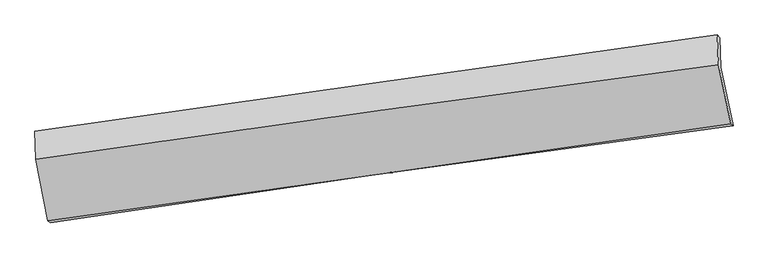
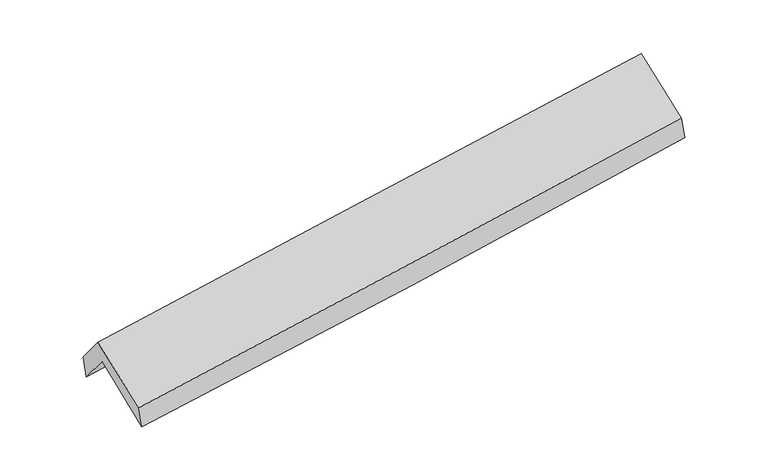
"""IFC4 building model written with IfcOpenShell, lengths in millimetres: proxy geometry."""

from ifc_helpers import new_model, si_unit, frame, origin, place, context, project, spatial, source, transform, mapped, element, save
from ifc_brep_helpers import plane_surface, spline_curve, spline_surface, advanced_brep


def generic_models_dca141c6(model_context):
    return source(origin(), model_context, "Body", "AdvancedBrep", [
        advanced_brep(
        [(-2881.4970393, -2511.9907779, 1456.9263645), (-2984.1263295, -2002.7639974, 1876.6378315), (2923.6050703, -1165.0924454, 2368.5904372), (3031.81373, -1670.4838674, 1938.2723799), (-2993.1145855, -1741.2225699, 1557.1174753), (2914.8288192, -909.7199649, 2056.6065702), (-3012.7886595, -1717.4856107, 1758.910164), (2893.961524, -884.0549747, 2255.7613091), (-3004.4440588, -1960.2978732, 2055.5494434), (2904.6837783, -1140.4625829, 2546.9749777), (-2900.0007938, -2491.9182835, 1650.4144819), (3011.6619971, -1651.5896682, 2140.1294249)],
        [
            (0, 1),
            (1, 2, spline_curve(3, [(-2984.1263295, -2002.7639974, 1876.6378315), (-1998.47684275, -1852.462730612, 1933.107749205), (-1013.143745028, -1707.480259248, 2002.36033443), (956.099547509, -1428.264937857, 2166.365035128), (1940.010249746, -1294.02355848, 2261.096651798), (2923.6050703, -1165.0924454, 2368.5904372)], [4, 2, 4], [0.0, 9.830764378610771, 19.653643073785105])),
            (2, 3),
            (3, 0, spline_curve(3, [(3031.81373, -1670.4838674, 1938.2723799), (2047.668243778, -1799.491487608, 1828.456039334), (1063.017523839, -1934.09049261, 1733.445852419), (-908.085254244, -2214.583815071, 1572.973398792), (-1894.538124228, -2360.487113597, 1507.534914069), (-2881.4970393, -2511.9907779, 1456.9263645)], [4, 2, 4], [0.0, 9.822878695174333, 19.653643073785105])),
            (1, 4),
            (4, 5, spline_curve(3, [(-2993.1145855, -1741.2225699, 1557.1174753), (-2007.213938695, -1598.229587344, 1622.515789866), (-1021.737630308, -1457.414283664, 1696.859327159), (947.576157504, -1180.250240801, 1863.370036907), (1931.414317038, -1043.898009816, 1955.522864721), (2914.8288192, -909.7199649, 2056.6065702)], [4, 2, 4], [0.0, 9.825975668038684, 19.644069493873836])),
            (5, 2),
            (4, 6),
            (6, 7, spline_curve(3, [(-3012.7886595, -1717.4856107, 1758.910164), (-2027.90220866, -1576.716020283, 1837.36991345), (-1043.032309381, -1436.851168464, 1918.021542287), (925.884391701, -1159.042407483, 2083.642105334), (1909.931220372, -1021.097047285, 2168.607525254), (2893.961524, -884.0549747, 2255.7613091)], [4, 2, 4], [0.0, 9.824442493347599, 19.64100437431773])),
            (7, 5),
            (6, 8),
            (8, 9, spline_curve(3, [(-3004.4440588, -1960.2978732, 2055.5494434), (-2019.950731649, -1817.365266763, 2135.043564516), (-1035.079018571, -1677.553195609, 2215.759674247), (934.63086724, -1404.279769414, 2379.570145443), (1919.468433278, -1270.813410882, 2462.662546892), (2904.6837783, -1140.4625829, 2546.9749777)], [4, 2, 4], [0.0, 9.823403027665881, 19.638926276754905])),
            (9, 7),
            (8, 10),
            (10, 11, spline_curve(3, [(-2900.0007938, -2491.9182835, 1650.4144819), (-1913.576157937, -2354.777909078, 1728.34834095), (-927.527762318, -2216.151644139, 1808.141969188), (1043.025898236, -1936.039722911, 1971.383265673), (2027.531766206, -1794.55644926, 2054.827952026), (3011.6619971, -1651.5896682, 2140.1294249)], [4, 2, 4], [0.0, 9.827660076733745, 19.647436960126527])),
            (11, 9),
            (10, 0),
            (3, 11),
        ],
        [
            spline_surface(3, 3, [[(-2881.4970393, -2511.9907779, 1456.9263645), (-1894.538124161, -2360.487113649, 1507.534913927), (-908.085254328, -2214.583815095, 1572.973398732), (1063.017523922, -1934.090492587, 1733.445852479), (2047.668243856, -1799.491487637, 1828.456039439), (3031.81373, -1670.4838674, 1938.2723799)], [(-2915.706802677, -2342.248517735, 1596.830186836), (-1929.184363679, -2191.145652593, 1649.392525731), (-943.104751231, -2045.549296432, 1716.102377291), (1027.378198451, -1765.481974355, 1877.752246708), (2011.782245822, -1631.002177955, 1972.669576944), (2995.744176778, -1502.020060064, 2081.711732332)], [(-2949.916566123, -2172.506257565, 1736.734009164), (-1963.830603264, -2021.804191533, 1791.250137526), (-978.12424813, -1876.514777824, 1859.231355842), (991.738872985, -1596.873456176, 2022.058640928), (1975.896247755, -1462.512868281, 2116.883114453), (2959.674623522, -1333.556252736, 2225.151084768)], [(-2984.1263295, -2002.7639974, 1876.6378315), (-1998.476842781, -1852.462730477, 1933.10774933), (-1013.143745033, -1707.480259161, 2002.360334402), (956.099547514, -1428.264937944, 2166.365035156), (1940.010249722, -1294.023558598, 2261.096651958), (2923.6050703, -1165.0924454, 2368.5904372)]], [4, 4], [4, 2, 4], [0.0, 2.2097180081409653], [0.0, 9.830764378610771, 19.653643073785105]),
            spline_surface(3, 3, [[(-2984.1263295, -2002.7639974, 1876.6378315), (-1998.476842781, -1852.462730477, 1933.10774933), (-1013.143745033, -1707.480259161, 2002.360334402), (956.099547514, -1428.264937944, 2166.365035156), (1940.010249722, -1294.023558598, 2261.096651958), (2923.6050703, -1165.0924454, 2368.5904372)], [(-2987.122414843, -1915.583521566, 1770.131046109), (-2001.389208141, -1767.718349459, 1829.577096212), (-1016.008373444, -1624.124934005, 1900.526665307), (953.258417503, -1345.593372263, 2065.366702448), (1937.144938867, -1210.648375606, 2159.23872291), (2920.67965327, -1079.968285222, 2264.595814861)], [(-2990.118500157, -1828.403045734, 1663.624260691), (-2004.301573472, -1682.973968441, 1726.046443066), (-1018.873001865, -1540.769608785, 1798.692996171), (950.417287483, -1262.921806517, 1964.368369698), (1934.279628001, -1127.273192649, 2057.380793879), (2917.75423623, -994.844125078, 2160.601192539)], [(-2993.1145855, -1741.2225699, 1557.1174753), (-2007.213938832, -1598.229587422, 1622.515789947), (-1021.737630276, -1457.414283629, 1696.859327076), (947.576157472, -1180.250240836, 1863.370036989), (1931.414317146, -1043.898009656, 1955.522864831), (2914.8288192, -909.7199649, 2056.6065702)]], [4, 4], [4, 2, 4], [0.0, 1.2902597336863517], [0.0, 9.825975668038684, 19.644069493873836]),
            spline_surface(3, 3, [[(-2993.1145855, -1741.2225699, 1557.1174753), (-2007.213938832, -1598.229587422, 1622.515789947), (-1021.737630276, -1457.414283629, 1696.859327076), (947.576157472, -1180.250240836, 1863.370036989), (1931.414317146, -1043.898009656, 1955.522864831), (2914.8288192, -909.7199649, 2056.6065702)], [(-2999.672610163, -1733.310250183, 1624.381704879), (-2014.110028779, -1591.058398424, 1694.133831132), (-1028.835856681, -1450.559911906, 1770.58006542), (940.345568915, -1173.180963001, 1936.794059813), (1924.253284913, -1036.297688884, 2026.551084959), (2907.873054137, -901.164968193, 2122.991483173)], [(-3006.230634837, -1725.397930417, 1691.645934421), (-2021.006118738, -1583.887209377, 1765.751872279), (-1035.934083082, -1443.705540261, 1844.300803791), (933.114980363, -1166.111685245, 2010.218082663), (1917.092252669, -1028.697368033, 2097.579305069), (2900.917289063, -892.609971407, 2189.376396127)], [(-3012.7886595, -1717.4856107, 1758.910164), (-2027.902208685, -1576.716020378, 1837.369913464), (-1043.032309486, -1436.851168537, 1918.021542135), (925.884391806, -1159.042407411, 2083.642105487), (1909.931220436, -1021.09704726, 2168.607525198), (2893.961524, -884.0549747, 2255.7613091)]], [4, 4], [4, 2, 4], [0.0, 0.73078347889897], [0.0, 9.824442493347599, 19.64100437431773]),
            spline_surface(3, 3, [[(-3012.7886595, -1717.4856107, 1758.910164), (-2027.902208685, -1576.716020378, 1837.369913464), (-1043.032309486, -1436.851168537, 1918.021542135), (925.884391806, -1159.042407411, 2083.642105487), (1909.931220436, -1021.09704726, 2168.607525198), (2893.961524, -884.0549747, 2255.7613091)], [(-3010.007125929, -1798.423031528, 1857.789923806), (-2025.25171632, -1656.932435812, 1936.594463799), (-1040.381212493, -1517.085177522, 2017.267586188), (928.79988364, -1240.788194814, 2182.284785443), (1913.11029137, -1104.33583508, 2266.625865793), (2897.535608754, -969.524177433, 2352.832531975)], [(-3007.225592371, -1879.360452372, 1956.669683594), (-2022.601223967, -1737.148851263, 2035.819014117), (-1037.730115566, -1597.319186463, 2116.51363026), (931.715375407, -1322.533982173, 2280.927465419), (1916.289362342, -1187.574622901, 2364.644206363), (2901.109693546, -1054.993380167, 2449.903754825)], [(-3004.4440588, -1960.2978732, 2055.5494434), (-2019.950731602, -1817.365266697, 2135.043564452), (-1035.079018573, -1677.553195447, 2215.759674313), (934.630867241, -1404.279769575, 2379.570145376), (1919.468433275, -1270.813410721, 2462.662546958), (2904.6837783, -1140.4625829, 2546.9749777)]], [4, 4], [4, 2, 4], [0.0, 1.258805791173327], [0.0, 9.823403027665881, 19.638926276754905]),
            spline_surface(3, 3, [[(-3004.4440588, -1960.2978732, 2055.5494434), (-2019.950731602, -1817.365266697, 2135.043564452), (-1035.079018573, -1677.553195447, 2215.759674313), (934.630867241, -1404.279769575, 2379.570145376), (1919.468433275, -1270.813410721, 2462.662546958), (2904.6837783, -1140.4625829, 2546.9749777)], [(-2969.629637132, -2137.504676632, 1920.50445621), (-1984.492540347, -1996.502814171, 1999.478489925), (-999.228599776, -1857.086011673, 2079.887105892), (970.762544186, -1581.533087332, 2243.507852179), (1955.489544208, -1445.394423612, 2326.717681955), (2940.343184561, -1310.83827799, 2411.35979341)], [(-2934.815215468, -2314.711480068, 1785.45946909), (-1949.034349098, -2175.640361648, 1863.913415466), (-963.378180966, -2036.618827939, 1944.014537484), (1006.894221143, -1758.786405129, 2107.445558995), (1991.510655157, -1619.975436532, 2190.77281702), (2976.002590839, -1481.21397311, 2275.74460919)], [(-2900.0007938, -2491.9182835, 1650.4144819), (-1913.576157843, -2354.777909122, 1728.348340938), (-927.527762169, -2216.151644165, 1808.141969063), (1043.025898087, -1936.039722886, 1971.383265798), (2027.53176609, -1794.556449423, 2054.827952016), (3011.6619971, -1651.5896682, 2140.1294249)]], [4, 4], [4, 2, 4], [0.0, 2.235939763534805], [0.0, 9.827660076733745, 19.647436960126527]),
            spline_surface(3, 3, [[(-2900.0007938, -2491.9182835, 1650.4144819), (-1913.576157843, -2354.777909122, 1728.348340938), (-927.527762169, -2216.151644165, 1808.141969063), (1043.025898087, -1936.039722886, 1971.383265798), (2027.53176609, -1794.556449423, 2054.827952016), (3011.6619971, -1651.5896682, 2140.1294249)], [(-2893.832875656, -2498.609114957, 1585.91844276), (-1907.230146638, -2356.680977288, 1654.743865261), (-921.04692624, -2215.629034497, 1729.752445622), (1049.689773347, -1935.389979475, 1892.070794695), (2034.243925345, -1796.20146216, 1979.37064784), (3018.3792414, -1657.887734599, 2072.843743249)], [(-2887.664957444, -2505.299946443, 1521.42240364), (-1900.884135366, -2358.584045484, 1581.139389604), (-914.566090257, -2215.106424763, 1651.362922172), (1056.353648662, -1934.740235998, 1812.758323582), (2040.956084601, -1797.846474901, 1903.913343615), (3025.0964857, -1664.185801001, 2005.558061551)], [(-2881.4970393, -2511.9907779, 1456.9263645), (-1894.538124161, -2360.487113649, 1507.534913927), (-908.085254328, -2214.583815095, 1572.973398732), (1063.017523922, -1934.090492587, 1733.445852479), (2047.668243856, -1799.491487637, 1828.456039439), (3031.81373, -1670.4838674, 1938.2723799)]], [4, 4], [4, 2, 4], [0.0, 0.7788014267711241], [0.0, 9.833261777042253, 19.658635867376226]),
            plane_surface(frame((2946.7591531, -1236.9005839, 2217.7225165), z_axis=(0.9866725335092764, 0.13841730670541313, 0.0855450806464381), x_axis=(0.16160321198943475, -0.7721177231518446, -0.6145881738770357))),
            plane_surface(frame((-2962.6619111, -2070.9465188, 1725.9259601), z_axis=(-0.9878817897363175, -0.1325656540762705, -0.08072122934334511), x_axis=(-0.09469458436411439, 0.10272274841921057, 0.990192391734713))),
        ],
        [
            (0, [[1, 2, 3, 4]]),
            (1, [[5, 6, 7, -2]]),
            (2, [[8, 9, 10, -6]]),
            (3, [[11, 12, 13, -9]]),
            (4, [[14, 15, 16, -12]]),
            (5, [[17, -4, 18, -15]]),
            (6, [[-16, -18, -3, -7, -10, -13]]),
            (7, [[-17, -14, -11, -8, -5, -1]]),
        ],
    ),
    ])


if __name__ == "__main__":
    model = new_model("IFC4")
    model_context = context("Model", 3, world=origin())
    ifc_project = project(units=[si_unit("LENGTHUNIT", "METRE", prefix="MILLI")], contexts=[model_context])
    site = spatial("IfcSite", under=ifc_project)
    building = spatial("IfcBuilding", under=site)
    placement = place(None, origin())
    generic_models_shape = generic_models_dca141c6(model_context)
    element("IfcBuildingElementProxy", 1, Name="Generic Models", at=placement, inside=building, context=model_context, shape_type="MappedRepresentation", body=[
        mapped(generic_models_shape, transform((0.0, 0.0, 0.0), x_axis=(1.0, 0.0, 0.0), y_axis=(0.0, 1.0, 0.0), z_axis=(0.0, 0.0, 1.0))),
    ])
    save(model, "model.ifc")
